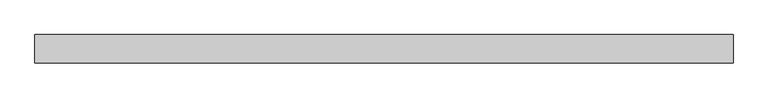
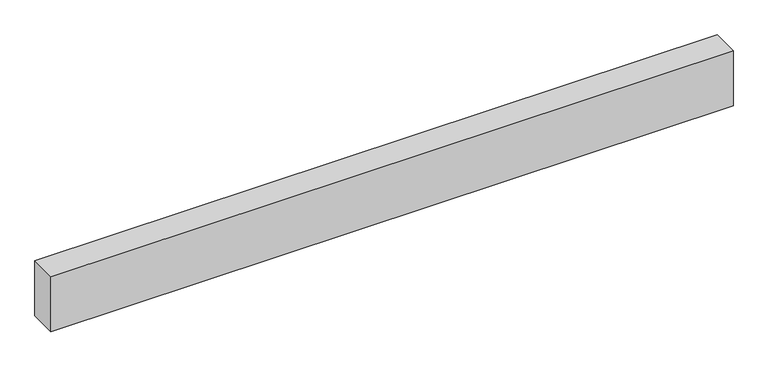
"""IFC4 building model written with IfcOpenShell, lengths in millimetres: beam geometry."""

from ifc_helpers import new_model, si_unit, frame, origin, place, context, project, spatial, polyline, outline, extrude, source, transform, mapped, element, save


def beam_8e22188a(model_context):
    return source(origin(), model_context, "Body", "SweptSolid", [
        extrude(outline(polyline([(4572.0, 180.975), (4572.0, -180.975), (-4378.325, -180.975), (-4378.325, 180.975), (4572.0, 180.975)])), frame((0.0, 0.0, -381.0), z_axis=(0.0, 0.0, 1.0), x_axis=(1.0, 0.0, 0.0)), (0.0, 0.0, 1.0), 762.0),
    ])


if __name__ == "__main__":
    model = new_model("IFC4")
    model_context = context("Model", 3, world=origin())
    ifc_project = project(units=[si_unit("LENGTHUNIT", "METRE", prefix="MILLI")], contexts=[model_context])
    site = spatial("IfcSite", under=ifc_project)
    building = spatial("IfcBuilding", under=site)
    placement = place(None, origin())
    beam_shape = beam_8e22188a(model_context)
    element("IfcBeam", 1, at=placement, inside=building, context=model_context, shape_type="MappedRepresentation", body=[
        mapped(beam_shape, transform((0.0, 0.0, 0.0), x_axis=(1.0, 0.0, 0.0), y_axis=(0.0, 1.0, 0.0), z_axis=(0.0, 0.0, 1.0))),
    ])
    save(model, "model.ifc")
